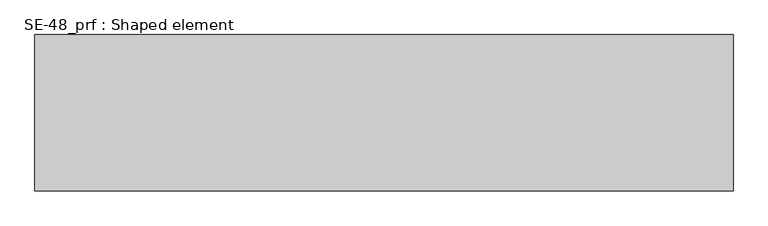
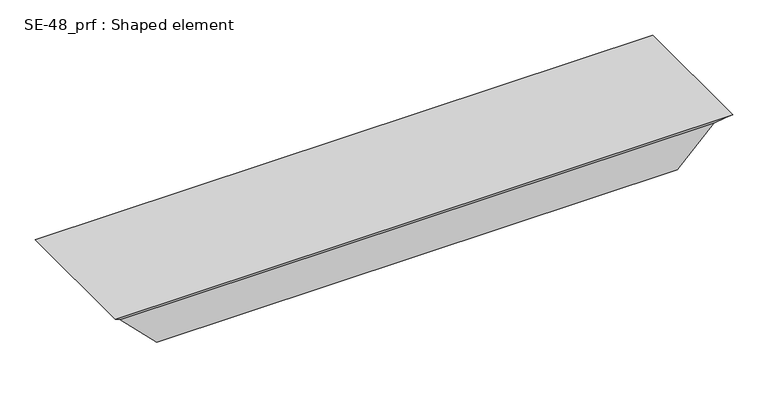
"""IFC4 building model written with IfcOpenShell, lengths in millimetres: proxy geometry, SE-48_prf : Shaped element."""

from ifc_helpers import new_model, si_unit, origin, place, context, project, spatial, faceted_brep, source, transform, mapped, element, save


def se_48_prf_shaped_element_a2ac9e7b(model_context):
    return source(origin(), model_context, "Body", "Brep", [
        faceted_brep([(0.0, 202.0, 0.0), (51.5857864, 202.0, -51.5857864), (948.4142136, 202.0, -51.5857864), (1000.0, 202.0, 0.0), (1007.0, 202.0, 7.0), (-7.0, 202.0, 7.0), (-7.0, -22.3847763, 7.0), (1007.0, -22.3847763, 7.0), (11.3847763, -4.0, -11.3847763), (0.0, -15.3847763, 0.0), (1000.0, -15.3847763, 0.0), (988.6152237, -4.0, -11.3847763), (70.7989899, -4.0, -70.7989899), (929.2010101, -4.0, -70.7989899), (70.7989899, -3.0, -70.7989899), (929.2010101, -3.0, -70.7989899), (61.7989899, -3.0, -61.7989899), (938.2010101, -3.0, -61.7989899), (61.7989899, -2.0, -61.7989899), (938.2010101, -2.0, -61.7989899), (71.7989899, -2.0, -71.7989899), (928.2010101, -2.0, -71.7989899), (71.7989899, -5.0, -71.7989899), (928.2010101, -5.0, -71.7989899), (11.7989899, -5.0, -11.7989899), (988.2010101, -5.0, -11.7989899), (0.0, -16.7989899, 0.0), (1000.0, -16.7989899, 0.0), (1008.0, -24.7989899, 8.0), (-8.0, -24.7989899, 8.0), (-8.0, 203.0, 8.0), (1008.0, 203.0, 8.0), (52.0, 203.0, -52.0), (0.0, 203.0, 0.0), (1000.0, 203.0, 0.0), (948.0, 203.0, -52.0), (73.2132034, 181.7867966, -73.2132034), (926.7867966, 181.7867966, -73.2132034), (71.0918831, 179.6654762, -71.0918831), (928.9081169, 179.6654762, -71.0918831), (64.0208153, 186.736544, -64.0208153), (935.9791847, 186.736544, -64.0208153), (64.7279221, 187.4436508, -64.7279221), (935.2720779, 187.4436508, -64.7279221), (71.0918831, 181.0796898, -71.0918831), (928.9081169, 181.0796898, -71.0918831), (71.7989899, 181.7867966, -71.7989899), (928.2010101, 181.7867966, -71.7989899)], [[[0, 1, 2, 3, 4, 5]], [[6, 5, 4, 7]], [[8, 9, 6, 7, 10, 11]], [[12, 8, 11, 13]], [[14, 12, 13, 15]], [[16, 14, 15, 17]], [[18, 16, 17, 19]], [[20, 18, 19, 21]], [[22, 20, 21, 23]], [[24, 22, 23, 25]], [[26, 24, 25, 27, 28, 29]], [[30, 29, 28, 31]], [[32, 33, 30, 31, 34, 35]], [[36, 32, 35, 37]], [[38, 36, 37, 39]], [[40, 38, 39, 41]], [[42, 40, 41, 43]], [[44, 42, 43, 45]], [[46, 44, 45, 47]], [[1, 46, 47, 2]], [[26, 9, 8, 12, 14, 16, 18, 20, 22, 24]], [[0, 33, 32, 36, 38, 40, 42, 44, 46, 1]], [[9, 26, 29, 30, 33, 0, 5, 6]], [[10, 27, 25, 23, 21, 19, 17, 15, 13, 11]], [[34, 3, 2, 47, 45, 43, 41, 39, 37, 35]], [[27, 10, 7, 4, 3, 34, 31, 28]]]),
    ])


if __name__ == "__main__":
    model = new_model("IFC4")
    model_context = context("Model", 3, world=origin())
    ifc_project = project(units=[si_unit("LENGTHUNIT", "METRE", prefix="MILLI")], contexts=[model_context])
    site = spatial("IfcSite", under=ifc_project)
    building = spatial("IfcBuilding", under=site)
    placement = place(None, origin())
    se_48_prf_shaped_element_shape = se_48_prf_shaped_element_a2ac9e7b(model_context)
    element("IfcBuildingElementProxy", 1, Name="SE-48_prf : Shaped element", ObjectType="SE-48_prf : Shaped element", at=placement, inside=building, context=model_context, shape_type="MappedRepresentation", body=[
        mapped(se_48_prf_shaped_element_shape, transform((0.0, 0.0, 0.0), x_axis=(1.0, 0.0, 0.0), y_axis=(0.0, 1.0, 0.0), z_axis=(0.0, 0.0, 1.0))),
    ])
    save(model, "model.ifc")
